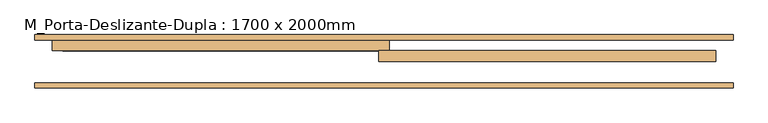
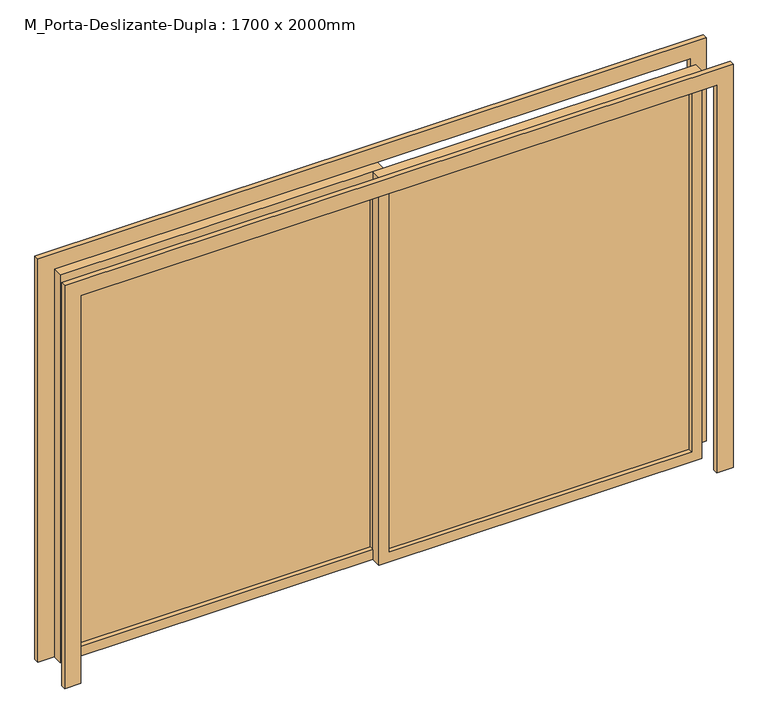
"""IFC4 building model written with IfcOpenShell, lengths in millimetres: door geometry, M_Porta-Deslizante-Dupla : 1700 x 2000mm."""

from ifc_helpers import new_model, si_unit, frame, origin, place, context, project, spatial, polyline, outline, extrude, source, transform, mapped, element, save


def m_porta_deslizante_dupla_1700_x_2000mm_9d2dde3c(model_context):
    return source(origin(), model_context, "Body", "SweptSolid", [
        extrude(outline(polyline([(0.0, -1630.0), (0.0, -1550.0), (2000.0, -1550.0), (2000.0, 1550.0), (0.0, 1550.0), (0.0, 1630.0), (2080.0, 1630.0), (2080.0, -1630.0), (0.0, -1630.0)])), frame((0.0, 2.0, 0.0), z_axis=(0.0, 1.0, 0.0), x_axis=(0.0, 0.0, 1.0)), (0.0, 0.0, 1.0), 25.0),
        extrude(outline(polyline([(0.0, 1630.0), (2080.0, 1630.0), (2080.0, -1630.0), (0.0, -1630.0), (0.0, -1550.0), (2000.0, -1550.0), (2000.0, 1550.0), (0.0, 1550.0), (0.0, 1630.0)])), frame((0.0, 227.0, 0.0), z_axis=(0.0, 1.0, 0.0), x_axis=(0.0, 0.0, 1.0)), (0.0, 0.0, 1.0), 25.0),
        extrude(outline(polyline([(2000.0, -25.0), (0.0, -25.0), (0.0, 1550.0), (2000.0, 1550.0), (2000.0, -25.0)]), holes=[polyline([(1950.0, 25.0), (1950.0, 1500.0), (50.0, 1500.0), (50.0, 25.0), (1950.0, 25.0)])]), frame((0.0, 127.0, 0.0), z_axis=(0.0, 1.0, 0.0), x_axis=(0.0, 0.0, 1.0)), (0.0, 0.0, 1.0), 50.0),
        extrude(outline(polyline([(2000.0, 25.0), (2000.0, -1550.0), (0.0, -1550.0), (0.0, 25.0), (2000.0, 25.0)]), holes=[polyline([(1950.0, -25.0), (50.0, -25.0), (50.0, -1500.0), (1950.0, -1500.0), (1950.0, -25.0)])]), frame((0.0, 177.0, 0.0), z_axis=(0.0, 1.0, 0.0), x_axis=(0.0, 0.0, 1.0)), (0.0, 0.0, 1.0), 50.0),
        extrude(outline(polyline([(25.0, 155.175), (1500.0, 155.175), (1500.0, 148.825), (25.0, 148.825), (25.0, 155.175)])), frame((0.0, 0.0, 50.0), z_axis=(0.0, 0.0, 1.0), x_axis=(1.0, 0.0, 0.0)), (0.0, 0.0, 1.0), 1900.0),
        extrude(outline(polyline([(-25.0, 200.025), (-1500.0, 200.025), (-1500.0, 206.375), (-25.0, 206.375), (-25.0, 200.025)])), frame((0.0, 0.0, 50.0), z_axis=(0.0, 0.0, 1.0), x_axis=(1.0, 0.0, 0.0)), (0.0, 0.0, 1.0), 1900.0),
    ])


if __name__ == "__main__":
    model = new_model("IFC4")
    model_context = context("Model", 3, world=origin())
    ifc_project = project(units=[si_unit("LENGTHUNIT", "METRE", prefix="MILLI")], contexts=[model_context])
    site = spatial("IfcSite", under=ifc_project)
    building = spatial("IfcBuilding", under=site)
    placement = place(None, origin())
    m_porta_deslizante_dupla_1700_x_2000mm_shape = m_porta_deslizante_dupla_1700_x_2000mm_9d2dde3c(model_context)
    element("IfcDoor", 1, ObjectType="M_Porta-Deslizante-Dupla : 1700 x 2000mm", at=placement, inside=building, context=model_context, shape_type="MappedRepresentation", body=[
        mapped(m_porta_deslizante_dupla_1700_x_2000mm_shape, transform((0.0, 0.0, 0.0), x_axis=(1.0, 0.0, 0.0), y_axis=(0.0, 1.0, 0.0), z_axis=(0.0, 0.0, 1.0))),
    ])
    save(model, "model.ifc")
